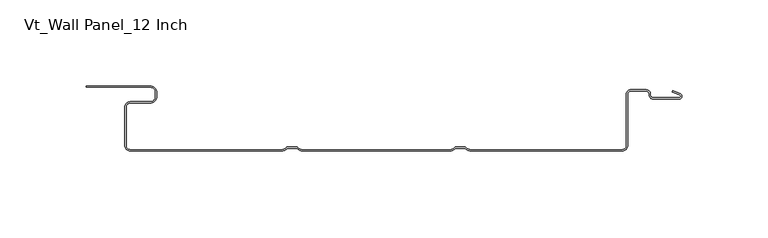
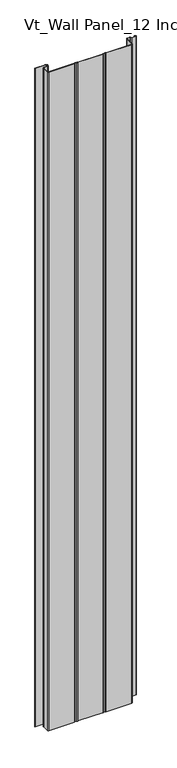
"""IFC4 building model written with IfcOpenShell, lengths in millimetres: plate geometry, Vt_Wall Panel_12 Inch."""

from ifc_helpers import new_model, si_unit, point, frame_2d, origin, origin_with_axes, place, context, project, spatial, polyline, circle_curve, trimmed, segment, composite_curve, outline, extrude, source, transform, mapped, element, save


def vt_wall_panel_12_inch_161696ff(model_context):
    return source(origin(), model_context, "Body", "SweptSolid", [
        extrude(outline(composite_curve([segment(trimmed(circle_curve(frame_2d((48.3385499, -32.6854733)), 5.3145267), [point((48.3385499, -38.0))], [point((44.6460718, -36.50775))], False, "CARTESIAN"), True, "CONTINUOUS"), segment(polyline([(44.6460718, -36.50775), (39.3313934, -36.50775)]), True, "CONTINUOUS"), segment(trimmed(circle_curve(frame_2d((35.6389153, -32.6854733)), 5.3145267), [point((39.3313934, -36.50775))], [point((35.6389153, -38.0))], False, "CARTESIAN"), True, "CONTINUOUS"), segment(polyline([(35.6389153, -38.0), (-49.4685561, -38.0)]), True, "CONTINUOUS"), segment(trimmed(circle_curve(frame_2d((-49.4685561, -32.6854733)), 5.3145267), [point((-49.4685561, -38.0))], [point((-53.1610342, -36.50775))], False, "CARTESIAN"), True, "CONTINUOUS"), segment(polyline([(-53.1610342, -36.50775), (-58.4757126, -36.50775)]), True, "CONTINUOUS"), segment(trimmed(circle_curve(frame_2d((-62.1681907, -32.6854733)), 5.3145267), [point((-58.4757126, -36.50775))], [point((-62.1681907, -38.0))], False, "CARTESIAN"), True, "CONTINUOUS"), segment(polyline([(-62.1681907, -38.0), (-149.8068902, -38.0)]), True, "CONTINUOUS"), segment(trimmed(circle_curve(frame_2d((-149.8068902, -34.70689)), 3.29311), [point((-149.8068902, -38.0))], [point((-153.1000002, -34.70689))], False, "CARTESIAN"), True, "CONTINUOUS"), segment(polyline([(-153.1000002, -34.70689), (-153.1000002, -12.42347)]), True, "CONTINUOUS"), segment(trimmed(circle_curve(frame_2d((-149.9250002, -12.42347)), 3.175), [point((-153.1000002, -12.42347))], [point((-149.9250002, -9.24847))], False, "CARTESIAN"), True, "CONTINUOUS"), segment(polyline([(-149.9250002, -9.24847), (-138.3927652, -9.24847)]), True, "CONTINUOUS"), segment(trimmed(circle_curve(frame_2d((-138.3927652, -6.07347)), 3.175), [point((-138.3927652, -9.24847))], [point((-135.2177652, -6.07347))], True, "CARTESIAN"), True, "CONTINUOUS"), segment(polyline([(-135.2177652, -6.07347), (-135.2177652, -3.975)]), True, "CONTINUOUS"), segment(trimmed(circle_curve(frame_2d((-138.3927652, -3.975)), 3.175), [point((-135.2177652, -3.975))], [point((-138.3927652, -0.8))], True, "CARTESIAN"), True, "CONTINUOUS"), segment(polyline([(-138.3927652, -0.8), (-175.5809052, -0.8), (-175.5809052, 0.0), (-138.3927652, 0.0)]), True, "CONTINUOUS"), segment(trimmed(circle_curve(frame_2d((-138.3927652, -3.975)), 3.975), [point((-138.3927652, 0.0))], [point((-134.4177652, -3.975))], False, "CARTESIAN"), True, "CONTINUOUS"), segment(polyline([(-134.4177652, -3.975), (-134.4177652, -6.07347)]), True, "CONTINUOUS"), segment(trimmed(circle_curve(frame_2d((-138.3927652, -6.07347)), 3.975), [point((-134.4177652, -6.07347))], [point((-138.3927652, -10.04847))], False, "CARTESIAN"), True, "CONTINUOUS"), segment(polyline([(-138.3927652, -10.04847), (-149.9250002, -10.04847)]), True, "CONTINUOUS"), segment(trimmed(circle_curve(frame_2d((-149.9250002, -12.42347)), 2.375), [point((-149.9250002, -10.04847))], [point((-152.3000002, -12.42347))], True, "CARTESIAN"), True, "CONTINUOUS"), segment(polyline([(-152.3000002, -12.42347), (-152.3000002, -34.70689)]), True, "CONTINUOUS"), segment(trimmed(circle_curve(frame_2d((-149.8068902, -34.70689)), 2.49311), [point((-152.3000002, -34.70689))], [point((-149.8068902, -37.2))], True, "CARTESIAN"), True, "CONTINUOUS"), segment(polyline([(-149.8068902, -37.2), (-62.1681907, -37.2)]), True, "CONTINUOUS"), segment(trimmed(circle_curve(frame_2d((-62.1681907, -32.6854733)), 4.5145267), [point((-62.1681907, -37.2))], [point((-58.8145666, -35.70775))], True, "CARTESIAN"), True, "CONTINUOUS"), segment(polyline([(-58.8145666, -35.70775), (-52.8221802, -35.70775)]), True, "CONTINUOUS"), segment(trimmed(circle_curve(frame_2d((-49.4685561, -32.6854733)), 4.5145267), [point((-52.8221802, -35.70775))], [point((-49.4685561, -37.2))], True, "CARTESIAN"), True, "CONTINUOUS"), segment(polyline([(-49.4685561, -37.2), (35.6389153, -37.2)]), True, "CONTINUOUS"), segment(trimmed(circle_curve(frame_2d((35.6389153, -32.6854733)), 4.5145267), [point((35.6389153, -37.2))], [point((38.9925394, -35.70775))], True, "CARTESIAN"), True, "CONTINUOUS"), segment(polyline([(38.9925394, -35.70775), (44.9849258, -35.70775)]), True, "CONTINUOUS"), segment(trimmed(circle_curve(frame_2d((48.3385499, -32.6854733)), 4.5145267), [point((44.9849258, -35.70775))], [point((48.3385499, -37.2))], True, "CARTESIAN"), True, "CONTINUOUS"), segment(polyline([(48.3385499, -37.2), (135.9791339, -37.2)]), True, "CONTINUOUS"), segment(trimmed(circle_curve(frame_2d((135.9791339, -34.70689)), 2.49311), [point((135.9791339, -37.2))], [point((138.4722439, -34.70689))], True, "CARTESIAN"), True, "CONTINUOUS"), segment(polyline([(138.4722439, -34.70689), (138.4722439, -4.6804414)]), True, "CONTINUOUS"), segment(trimmed(circle_curve(frame_2d((140.8612173, -4.6804414)), 2.3889734), [point((138.4722439, -4.6804414))], [point((140.8612173, -2.291468))], False, "CARTESIAN"), True, "CONTINUOUS"), segment(polyline([(140.8612173, -2.291468), (150.1121649, -2.291468)]), True, "CONTINUOUS"), segment(trimmed(circle_curve(frame_2d((150.1121649, -4.6804414)), 2.3889734), [point((150.1121649, -2.291468))], [point((152.4371633, -4.1312816))], False, "CARTESIAN"), True, "CONTINUOUS"), segment(polyline([(152.4371633, -4.1312816), (152.518499, -5.4826235)]), True, "CONTINUOUS"), segment(trimmed(circle_curve(frame_2d((154.1993598, -5.2325612)), 1.69936), [point((152.518499, -5.4826235))], [point((154.1879218, -6.9318827))], True, "CARTESIAN"), True, "CONTINUOUS"), segment(polyline([(154.1879218, -6.9318827), (169.1464918, -6.9318827)]), True, "CONTINUOUS"), segment(trimmed(circle_curve(frame_2d((169.1375671, -6.0433563)), 0.8885712), [point((169.1464918, -6.9318827))], [point((169.5522865, -5.2575023))], True, "CARTESIAN"), True, "CONTINUOUS"), segment(polyline([(169.5522865, -5.2575023), (165.0836594, -3.4911982), (165.3777344, -2.747209), (169.8805276, -4.5270179)]), True, "CONTINUOUS"), segment(trimmed(circle_curve(frame_2d((169.1375671, -6.0433563)), 1.6885712), [point((169.8805276, -4.5270179))], [point((169.14987, -7.7318827))], False, "CARTESIAN"), True, "CONTINUOUS"), segment(polyline([(169.14987, -7.7318827), (154.1854883, -7.7318827)]), True, "CONTINUOUS"), segment(trimmed(circle_curve(frame_2d((154.1993598, -5.2325612)), 2.49936), [point((154.1854883, -7.7318827))], [point((151.7272077, -5.6003442))], False, "CARTESIAN"), True, "CONTINUOUS"), segment(polyline([(151.7272077, -5.6003442), (151.6912122, -4.5031105)]), True, "CONTINUOUS"), segment(trimmed(circle_curve(frame_2d((150.1121649, -4.6804414)), 1.5889734), [point((151.6912122, -4.5031105))], [point((150.1121649, -3.091468))], True, "CARTESIAN"), True, "CONTINUOUS"), segment(polyline([(150.1121649, -3.091468), (140.8612173, -3.091468)]), True, "CONTINUOUS"), segment(trimmed(circle_curve(frame_2d((140.8612173, -4.6804414)), 1.5889734), [point((140.8612173, -3.091468))], [point((139.2722439, -4.6804414))], True, "CARTESIAN"), True, "CONTINUOUS"), segment(polyline([(139.2722439, -4.6804414), (139.2722439, -34.70689)]), True, "CONTINUOUS"), segment(trimmed(circle_curve(frame_2d((135.9791339, -34.70689)), 3.29311), [point((139.2722439, -34.70689))], [point((135.9791339, -38.0))], False, "CARTESIAN"), True, "CONTINUOUS"), segment(polyline([(135.9791339, -38.0), (48.3385499, -38.0)]), True, "CONTINUOUS")], self_intersect=False)), origin_with_axes(), (0.0, 0.0, 1.0), 2400.0),
    ])


if __name__ == "__main__":
    model = new_model("IFC4")
    model_context = context("Model", 3, world=origin())
    ifc_project = project(units=[si_unit("LENGTHUNIT", "METRE", prefix="MILLI")], contexts=[model_context])
    site = spatial("IfcSite", under=ifc_project)
    building = spatial("IfcBuilding", under=site)
    placement = place(None, origin())
    vt_wall_panel_12_inch_shape = vt_wall_panel_12_inch_161696ff(model_context)
    element("IfcPlate", 1, ObjectType="Vt_Wall Panel_12 Inch", at=placement, inside=building, context=model_context, shape_type="MappedRepresentation", body=[
        mapped(vt_wall_panel_12_inch_shape, transform((0.0, 0.0, 0.0), x_axis=(1.0, 0.0, 0.0), y_axis=(0.0, 1.0, 0.0), z_axis=(0.0, 0.0, 1.0))),
    ])
    save(model, "model.ifc")
